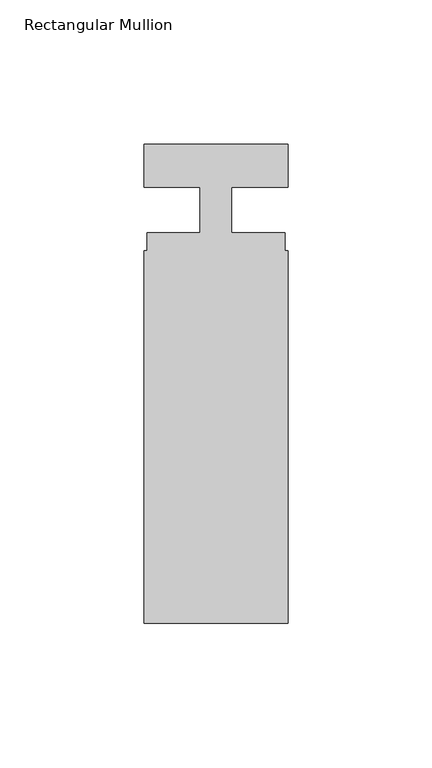
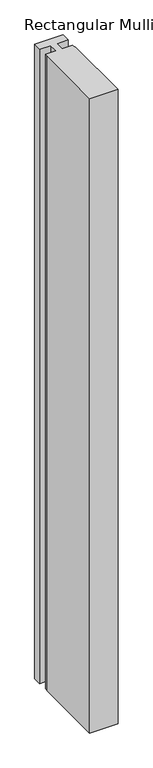
"""IFC4 building model written with IfcOpenShell, lengths in millimetres: member geometry, Rectangular Mullion."""

from ifc_helpers import new_model, si_unit, frame, origin, place, context, project, spatial, polyline, outline, extrude, source, transform, mapped, element, save


def rectangular_mullion_9cd65a91(model_context):
    return source(origin(), model_context, "Body", "SweptSolid", [
        extrude(outline(polyline([(-50.0, -140.3), (-50.0, -11.0), (-48.9, -11.0), (-48.9, -4.8), (-30.5, -4.8), (-30.5, 11.0), (-50.0, 11.0), (-50.0, 26.0), (0.0, 26.0), (0.0, 11.0), (-19.5000002, 11.0), (-19.5000002, -4.8), (-1.1, -4.8), (-1.1, -11.0), (0.0, -11.0), (0.0, -140.3), (-50.0, -140.3)])), frame((0.0, 0.0, -1175.0), z_axis=(0.0, 0.0, 1.0), x_axis=(1.0, 0.0, 0.0)), (0.0, 0.0, 1.0), 1175.0),
    ])


if __name__ == "__main__":
    model = new_model("IFC4")
    model_context = context("Model", 3, world=origin())
    ifc_project = project(units=[si_unit("LENGTHUNIT", "METRE", prefix="MILLI")], contexts=[model_context])
    site = spatial("IfcSite", under=ifc_project)
    building = spatial("IfcBuilding", under=site)
    placement = place(None, origin())
    rectangular_mullion_shape = rectangular_mullion_9cd65a91(model_context)
    element("IfcMember", 1, ObjectType="Rectangular Mullion", at=placement, inside=building, context=model_context, shape_type="MappedRepresentation", body=[
        mapped(rectangular_mullion_shape, transform((0.0, 0.0, 0.0), x_axis=(1.0, 0.0, 0.0), y_axis=(0.0, 1.0, 0.0), z_axis=(0.0, 0.0, 1.0))),
    ])
    save(model, "model.ifc")
